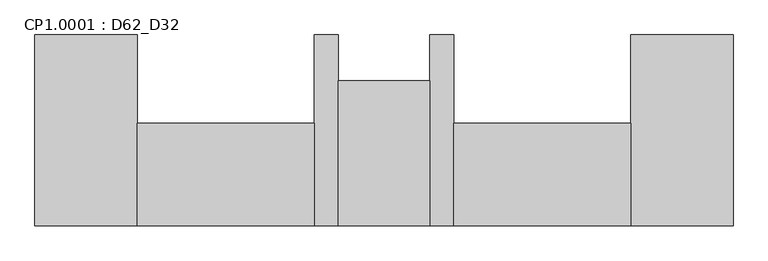
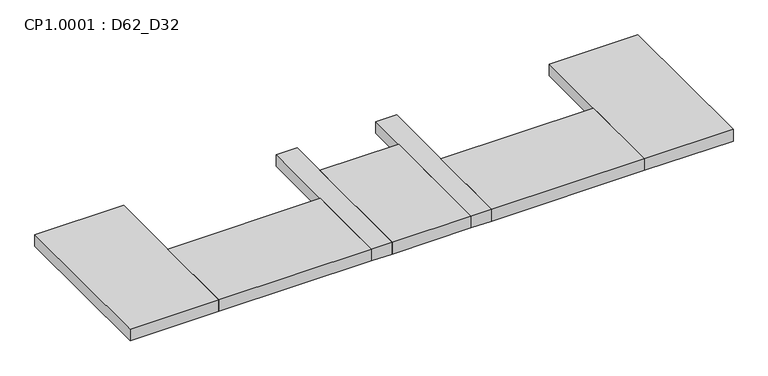
"""IFC4 building model written with IfcOpenShell, lengths in millimetres: proxy geometry, CP1.0001 : D62_D32."""

from ifc_helpers import new_model, si_unit, origin, origin_with_axes, place, context, project, spatial, polyline, outline, extrude, source, transform, mapped, element, save


def cp1_0001_d62_d32_1c00ef8e(model_context):
    return source(origin(), model_context, "Body", "SweptSolid", [
        extrude(outline(polyline([(-1910.0, 1690.0), (-1910.0, 1330.0), (-2530.0, 1330.0), (-2530.0, 1690.0), (-1910.0, 1690.0)])), origin_with_axes(), (0.0, 0.0, 1.0), 50.0),
        extrude(outline(polyline([(-2615.0, 1840.0), (-2615.0, 1330.0), (-2935.0, 1330.0), (-2935.0, 1840.0), (-2615.0, 1840.0)])), origin_with_axes(), (0.0, 0.0, 1.0), 50.0),
        extrude(outline(polyline([(-3020.0, 1690.0), (-3020.0, 1330.0), (-3640.0, 1330.0), (-3640.0, 1690.0), (-3020.0, 1690.0)])), origin_with_axes(), (0.0, 0.0, 1.0), 50.0),
        extrude(outline(polyline([(-1550.0, 2000.0), (-1550.0, 1330.0), (-1910.0, 1330.0), (-1910.0, 2000.0), (-1550.0, 2000.0)])), origin_with_axes(), (0.0, 0.0, 1.0), 50.0),
        extrude(outline(polyline([(-2530.0, 2000.0), (-2530.0, 1330.0), (-2615.0, 1330.0), (-2615.0, 2000.0), (-2530.0, 2000.0)])), origin_with_axes(), (0.0, 0.0, 1.0), 50.0),
        extrude(outline(polyline([(-2935.0, 2000.0), (-2935.0, 1330.0), (-3020.0, 1330.0), (-3020.0, 2000.0), (-2935.0, 2000.0)])), origin_with_axes(), (0.0, 0.0, 1.0), 50.0),
        extrude(outline(polyline([(-3640.0, 2000.0), (-3640.0, 1330.0), (-4000.0, 1330.0), (-4000.0, 2000.0), (-3640.0, 2000.0)])), origin_with_axes(), (0.0, 0.0, 1.0), 50.0),
    ])


if __name__ == "__main__":
    model = new_model("IFC4")
    model_context = context("Model", 3, world=origin())
    ifc_project = project(units=[si_unit("LENGTHUNIT", "METRE", prefix="MILLI")], contexts=[model_context])
    site = spatial("IfcSite", under=ifc_project)
    building = spatial("IfcBuilding", under=site)
    placement = place(None, origin())
    cp1_0001_d62_d32_shape = cp1_0001_d62_d32_1c00ef8e(model_context)
    element("IfcBuildingElementProxy", 1, Name="CP1.0001 : D62_D32", ObjectType="CP1.0001 : D62_D32", at=placement, inside=building, context=model_context, shape_type="MappedRepresentation", body=[
        mapped(cp1_0001_d62_d32_shape, transform((0.0, 0.0, 0.0), x_axis=(1.0, 0.0, 0.0), y_axis=(0.0, 1.0, 0.0), z_axis=(0.0, 0.0, 1.0))),
    ])
    save(model, "model.ifc")
